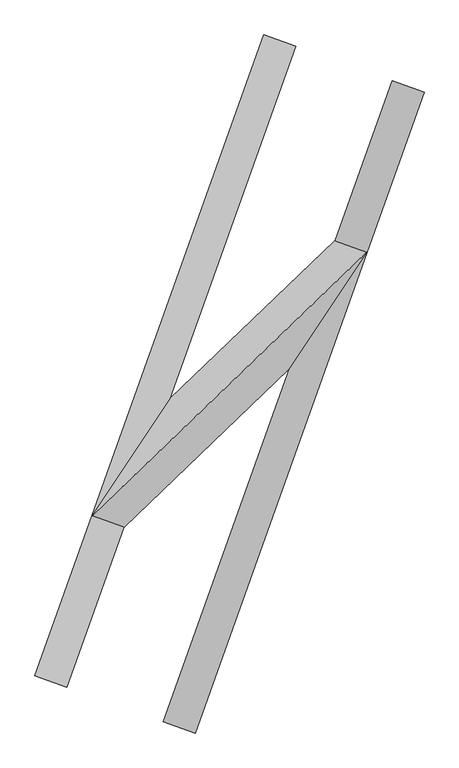
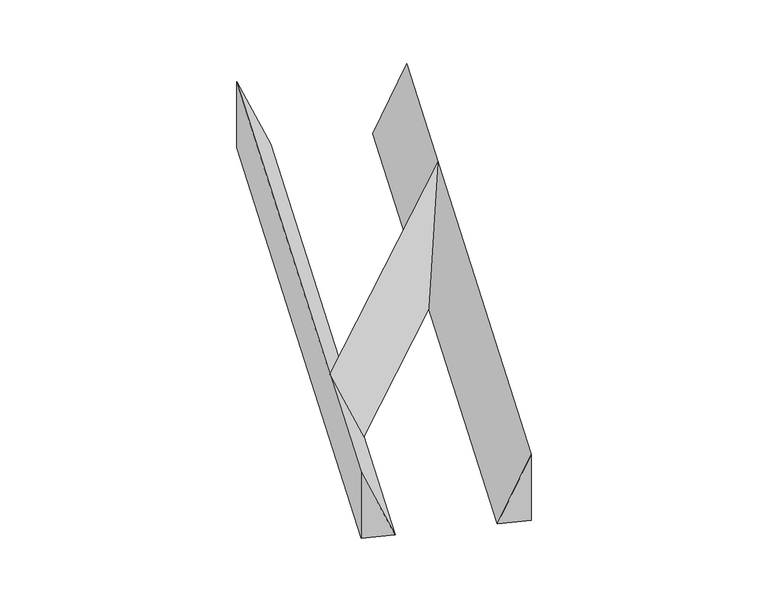
"""IFC4 building model written with IfcOpenShell, lengths in millimetres: proxy geometry."""

from ifc_helpers import new_model, si_unit, frame, origin, place, context, project, spatial, polyline, outline, extrude, faceted_brep, source, transform, mapped, element, save


def generic_models_ffdb859a(model_context):
    return source(origin(), model_context, "Body", "SolidModel", [
        faceted_brep([(-524.6847793, -131.1711948, 0.0), (-1210.8110292, -1160.3605696, 700.0), (1210.8110292, 1160.3605696, 700.0), (928.2884557, 1261.2614887, 0.0), (-928.2884557, -1261.2614887, 0.0), (524.6847793, 131.1711948, 0.0)], [[[0, 1, 2, 3]], [[1, 4, 5, 2]], [[4, 0, 3, 5]], [[3, 2, 5]], [[0, 4, 1]]]),
        extrude(outline(polyline([(-233.3333333, 100.0), (466.6666667, 100.0), (-233.3333333, -200.0), (-233.3333333, 100.0)])), frame((-396.8769485, -3043.8443928, 233.3333333), z_axis=(0.3363363969981588, 0.9417419115948366, 0.0), x_axis=(0.0, 0.0, 1.0)), (0.0, 0.0, 1.0), 6000.0),
        extrude(outline(polyline([(-466.6666667, 100.0), (233.3333333, 100.0), (233.3333333, -200.0), (-466.6666667, 100.0)])), frame((-1621.1414335, -2606.6070767, 233.3333333), z_axis=(0.3363363969981584, 0.9417419115948367, 0.0), x_axis=(0.0, 0.0, -1.0)), (0.0, 0.0, 1.0), 6000.0),
    ])


if __name__ == "__main__":
    model = new_model("IFC4")
    model_context = context("Model", 3, world=origin())
    ifc_project = project(units=[si_unit("LENGTHUNIT", "METRE", prefix="MILLI")], contexts=[model_context])
    site = spatial("IfcSite", under=ifc_project)
    building = spatial("IfcBuilding", under=site)
    placement = place(None, origin())
    generic_models_shape = generic_models_ffdb859a(model_context)
    element("IfcBuildingElementProxy", 1, Name="Generic Models", at=placement, inside=building, context=model_context, shape_type="MappedRepresentation", body=[
        mapped(generic_models_shape, transform((0.0, 0.0, 0.0), x_axis=(1.0, 0.0, 0.0), y_axis=(0.0, 1.0, 0.0), z_axis=(0.0, 0.0, 1.0))),
    ])
    save(model, "model.ifc")
